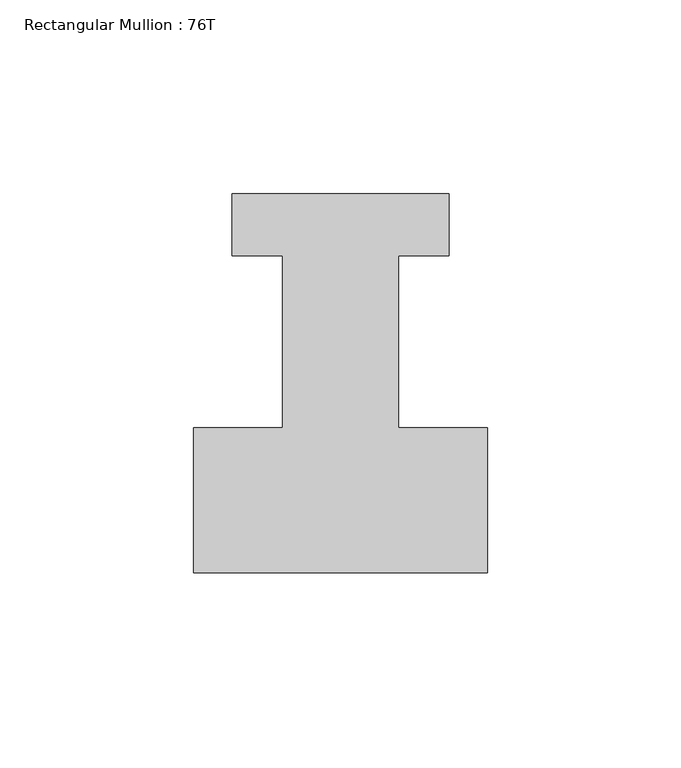
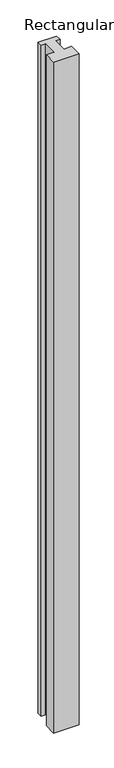
"""IFC4 building model written with IfcOpenShell, lengths in millimetres: member geometry, Rectangular Mullion : 76T."""

from ifc_helpers import new_model, si_unit, frame, origin, place, context, project, spatial, polyline, outline, extrude, source, transform, mapped, element, save


def rectangular_mullion_76t_80dbb9a0(model_context):
    return source(origin(), model_context, "Body", "SweptSolid", [
        extrude(outline(polyline([(38.0, -38.0), (-38.0, -38.0), (-38.0, -0.5), (-15.0, -0.5), (-15.0, 44.0), (-28.0, 44.0), (-28.0, 60.0), (28.0, 60.0), (28.0, 44.0), (15.0, 44.0), (15.0, -0.5), (38.0, -0.5), (38.0, -38.0)])), frame((0.0, 0.0, -2124.0), z_axis=(0.0, 0.0, 1.0), x_axis=(1.0, 0.0, 0.0)), (0.0, 0.0, 1.0), 2124.0),
    ])


if __name__ == "__main__":
    model = new_model("IFC4")
    model_context = context("Model", 3, world=origin())
    ifc_project = project(units=[si_unit("LENGTHUNIT", "METRE", prefix="MILLI")], contexts=[model_context])
    site = spatial("IfcSite", under=ifc_project)
    building = spatial("IfcBuilding", under=site)
    placement = place(None, origin())
    rectangular_mullion_76t_shape = rectangular_mullion_76t_80dbb9a0(model_context)
    element("IfcMember", 1, ObjectType="Rectangular Mullion : 76T", at=placement, inside=building, context=model_context, shape_type="MappedRepresentation", body=[
        mapped(rectangular_mullion_76t_shape, transform((0.0, 0.0, 0.0), x_axis=(1.0, 0.0, 0.0), y_axis=(0.0, 1.0, 0.0), z_axis=(0.0, 0.0, 1.0))),
    ])
    save(model, "model.ifc")
